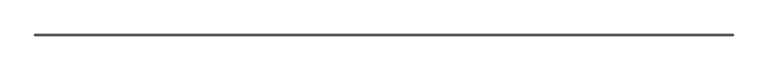
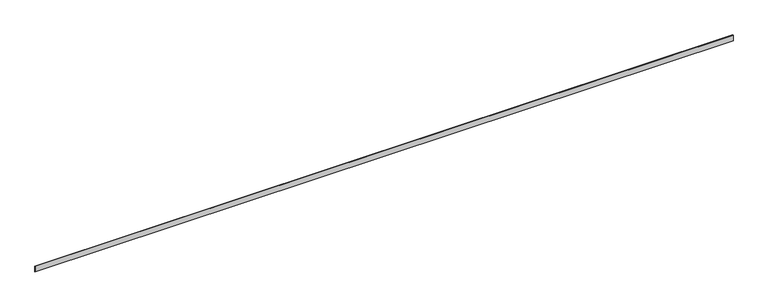
"""IFC4 building model written with IfcOpenShell, lengths in millimetres: furniture geometry."""

from ifc_helpers import new_model, si_unit, origin, origin_with_axes, place, context, project, spatial, polyline, outline, extrude, source, transform, mapped, element, save


def furniture_38361382(model_context):
    return source(origin(), model_context, "Body", "SweptSolid", [
        extrude(outline(polyline([(0.0, 0.0), (0.0, 10.0), (11712.2422438, 10.0), (11712.2422438, 0.0), (0.0, 0.0)])), origin_with_axes(), (0.0, 0.0, 1.0), 100.0),
    ])


if __name__ == "__main__":
    model = new_model("IFC4")
    model_context = context("Model", 3, world=origin())
    ifc_project = project(units=[si_unit("LENGTHUNIT", "METRE", prefix="MILLI")], contexts=[model_context])
    site = spatial("IfcSite", under=ifc_project)
    building = spatial("IfcBuilding", under=site)
    placement = place(None, origin())
    furniture_shape = furniture_38361382(model_context)
    element("IfcFurniture", 1, at=placement, inside=building, context=model_context, shape_type="MappedRepresentation", body=[
        mapped(furniture_shape, transform((0.0, 0.0, 0.0), x_axis=(1.0, 0.0, 0.0), y_axis=(0.0, 1.0, 0.0), z_axis=(0.0, 0.0, 1.0))),
    ])
    save(model, "model.ifc")
